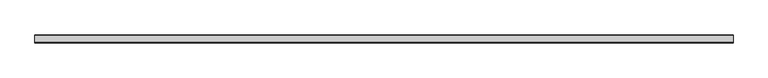
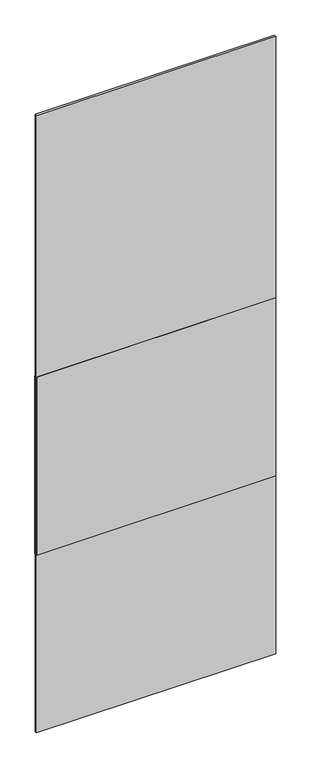
"""IFC4 building model written with IfcOpenShell, lengths in millimetres: plate geometry."""

from ifc_helpers import new_model, si_unit, frame, origin, origin_with_axes, place, context, project, spatial, polyline, outline, extrude, source, transform, mapped, element, save


def plate_944468b3(model_context):
    return source(origin(), model_context, "Body", "SweptSolid", [
        extrude(outline(polyline([(509.0000002, 11.0), (509.0000002, 10.0), (-509.0000002, 10.0), (-509.0000002, 11.0), (509.0000002, 11.0)])), frame((0.0, 0.0, 800.0), z_axis=(0.0, 0.0, 1.0), x_axis=(1.0, 0.0, 0.0)), (0.0, 0.0, 1.0), 800.0),
        extrude(outline(polyline([(509.0000002, 0.0), (509.0000002, -1.0), (-509.0000002, -1.0), (-509.0000002, 0.0), (509.0000002, 0.0)])), frame((0.0, 0.0, 800.0), z_axis=(0.0, 0.0, 1.0), x_axis=(1.0, 0.0, 0.0)), (0.0, 0.0, 1.0), 800.0),
        extrude(outline(polyline([(509.0000002, 0.0), (-509.0000002, 0.0), (-509.0000002, 10.0), (509.0000002, 10.0), (509.0000002, 0.0)])), origin_with_axes(), (0.0, 0.0, 1.0), 2775.0),
    ])


if __name__ == "__main__":
    model = new_model("IFC4")
    model_context = context("Model", 3, world=origin())
    ifc_project = project(units=[si_unit("LENGTHUNIT", "METRE", prefix="MILLI")], contexts=[model_context])
    site = spatial("IfcSite", under=ifc_project)
    building = spatial("IfcBuilding", under=site)
    placement = place(None, origin())
    plate_shape = plate_944468b3(model_context)
    element("IfcPlate", 1, at=placement, inside=building, context=model_context, shape_type="MappedRepresentation", body=[
        mapped(plate_shape, transform((0.0, 0.0, 0.0), x_axis=(1.0, 0.0, 0.0), y_axis=(0.0, 1.0, 0.0), z_axis=(0.0, 0.0, 1.0))),
    ])
    save(model, "model.ifc")
